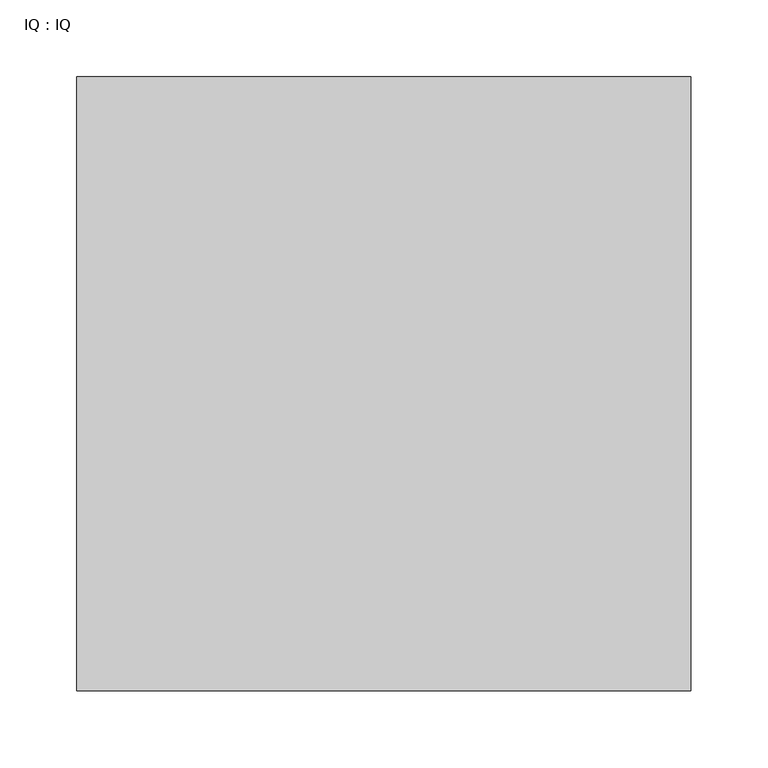
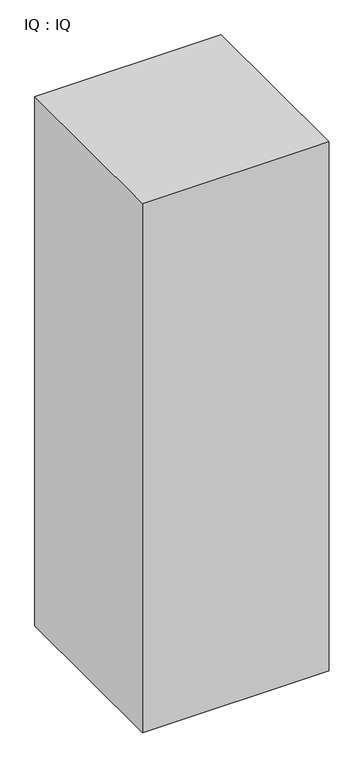
"""IFC4 building model written with IfcOpenShell, lengths in millimetres: proxy geometry, IQ : IQ."""

from ifc_helpers import new_model, si_unit, origin, origin_with_axes, place, context, project, spatial, polyline, outline, extrude, source, transform, mapped, element, save


def iq_iq_7797088e(model_context):
    return source(origin(), model_context, "Body", "SweptSolid", [
        extrude(outline(polyline([(400.0, 400.0), (400.0, 0.0), (0.0, 0.0), (0.0, 400.0), (400.0, 400.0)])), origin_with_axes(), (0.0, 0.0, 1.0), 1200.0),
    ])


if __name__ == "__main__":
    model = new_model("IFC4")
    model_context = context("Model", 3, world=origin())
    ifc_project = project(units=[si_unit("LENGTHUNIT", "METRE", prefix="MILLI")], contexts=[model_context])
    site = spatial("IfcSite", under=ifc_project)
    building = spatial("IfcBuilding", under=site)
    placement = place(None, origin())
    iq_iq_shape = iq_iq_7797088e(model_context)
    element("IfcBuildingElementProxy", 1, Name="IQ : IQ", ObjectType="IQ : IQ", at=placement, inside=building, context=model_context, shape_type="MappedRepresentation", body=[
        mapped(iq_iq_shape, transform((0.0, 0.0, 0.0), x_axis=(1.0, 0.0, 0.0), y_axis=(0.0, 1.0, 0.0), z_axis=(0.0, 0.0, 1.0))),
    ])
    save(model, "model.ifc")
